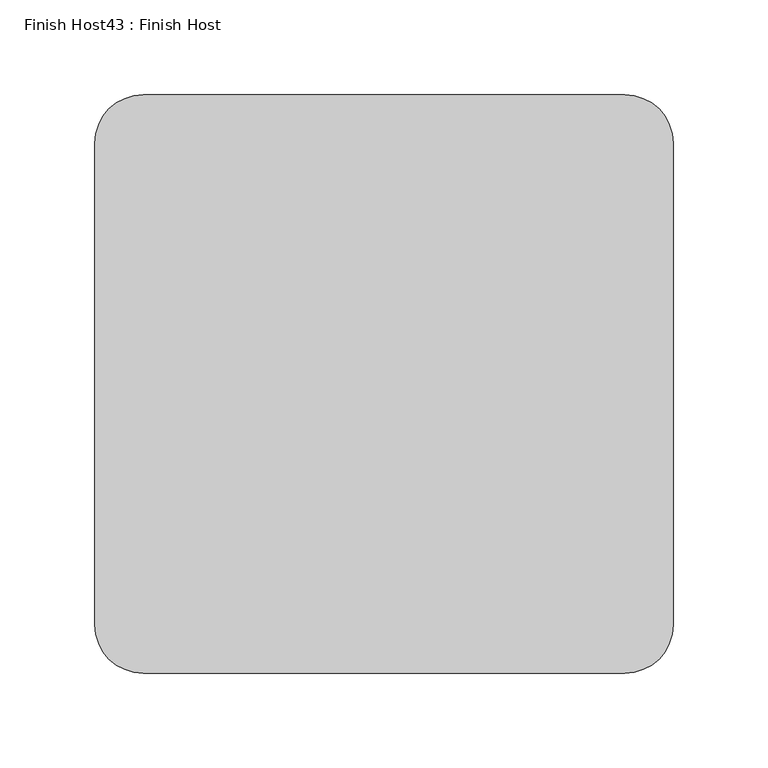
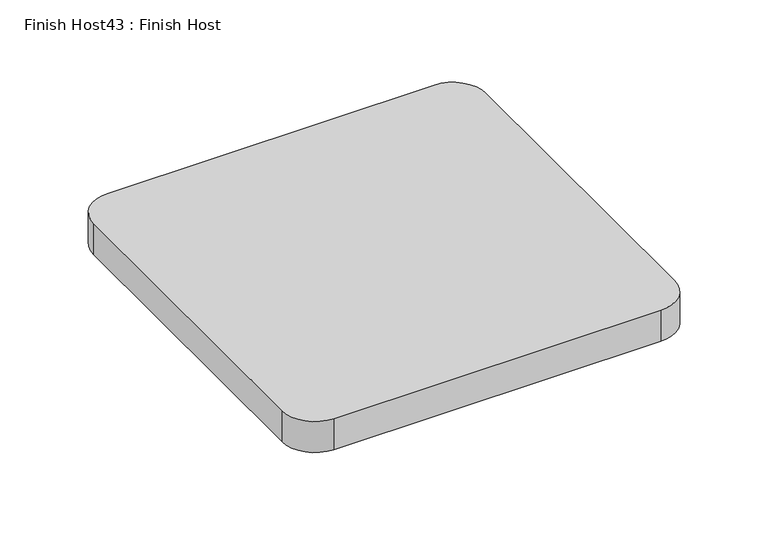
"""IFC4 building model written with IfcOpenShell, lengths in millimetres: proxy geometry, Finish Host43 : Finish Host."""

from ifc_helpers import new_model, si_unit, point, frame_2d, origin, origin_with_axes, place, context, project, spatial, polyline, circle_curve, trimmed, segment, composite_curve, outline, extrude, source, transform, mapped, element, save


def finish_host43_finish_host_41cf50c6(model_context):
    return source(origin(), model_context, "Body", "SweptSolid", [
        extrude(outline(composite_curve([segment(polyline([(1546.6934426, 1206.8122951), (1546.6934426, 1460.8122951)]), True, "CONTINUOUS"), segment(trimmed(circle_curve(frame_2d((1572.0934426, 1460.8122951)), 25.4), [point((1546.6934426, 1460.8122951))], [point((1572.0934426, 1486.2122951))], False, "CARTESIAN"), True, "CONTINUOUS"), segment(polyline([(1572.0934426, 1486.2122951), (1826.0934426, 1486.2122951)]), True, "CONTINUOUS"), segment(trimmed(circle_curve(frame_2d((1826.0934426, 1460.8122951)), 25.4), [point((1826.0934426, 1486.2122951))], [point((1851.4934426, 1460.8122951))], False, "CARTESIAN"), True, "CONTINUOUS"), segment(polyline([(1851.4934426, 1460.8122951), (1851.4934426, 1206.8122951)]), True, "CONTINUOUS"), segment(trimmed(circle_curve(frame_2d((1826.0934426, 1206.8122951)), 25.4), [point((1851.4934426, 1206.8122951))], [point((1826.0934426, 1181.4122951))], False, "CARTESIAN"), True, "CONTINUOUS"), segment(polyline([(1826.0934426, 1181.4122951), (1572.0934426, 1181.4122951)]), True, "CONTINUOUS"), segment(trimmed(circle_curve(frame_2d((1572.0934426, 1206.8122951)), 25.4), [point((1572.0934426, 1181.4122951))], [point((1546.6934426, 1206.8122951))], False, "CARTESIAN"), True, "CONTINUOUS")], self_intersect=False)), origin_with_axes(), (0.0, 0.0, 1.0), 25.4),
    ])


if __name__ == "__main__":
    model = new_model("IFC4")
    model_context = context("Model", 3, world=origin())
    ifc_project = project(units=[si_unit("LENGTHUNIT", "METRE", prefix="MILLI")], contexts=[model_context])
    site = spatial("IfcSite", under=ifc_project)
    building = spatial("IfcBuilding", under=site)
    placement = place(None, origin())
    finish_host43_finish_host_shape = finish_host43_finish_host_41cf50c6(model_context)
    element("IfcBuildingElementProxy", 1, Name="Finish Host43 : Finish Host", ObjectType="Finish Host43 : Finish Host", at=placement, inside=building, context=model_context, shape_type="MappedRepresentation", body=[
        mapped(finish_host43_finish_host_shape, transform((0.0, 0.0, 0.0), x_axis=(1.0, 0.0, 0.0), y_axis=(0.0, 1.0, 0.0), z_axis=(0.0, 0.0, 1.0))),
    ])
    save(model, "model.ifc")
